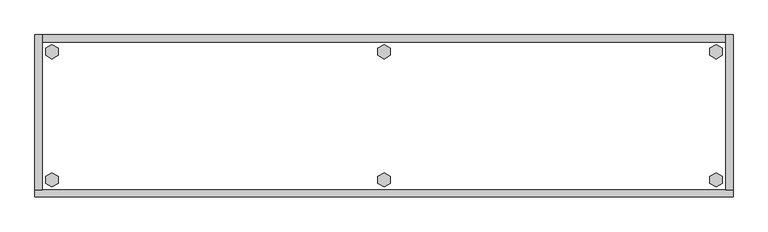
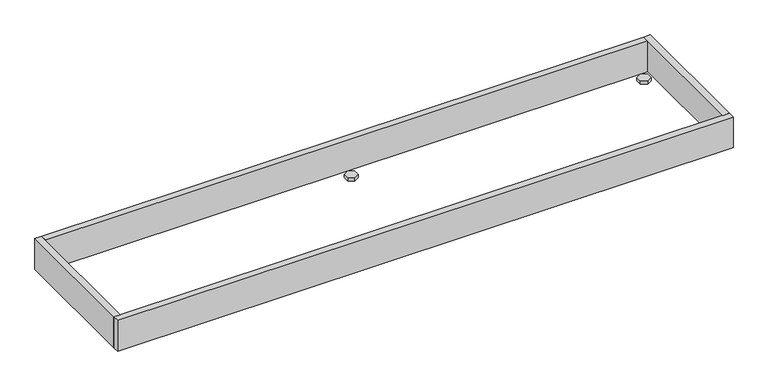
"""IFC4 building model written with IfcOpenShell, lengths in millimetres: furniture geometry."""

from ifc_helpers import new_model, si_unit, frame, origin, origin_with_axes, place, context, project, spatial, polyline, outline, extrude, source, transform, mapped, element, save


def furniture_e9d755e2(model_context):
    return source(origin(), model_context, "Body", "SweptSolid", [
        extrude(outline(polyline([(1768.1735422, -371.8179), (1784.1214, -362.6104), (1800.0692578, -371.8179), (1800.0692578, -390.2329), (1784.1214, -399.4404), (1768.1735422, -390.2329), (1768.1735422, -371.8179)])), origin_with_axes(), (0.0, 0.0, 1.0), 9.144),
        extrude(outline(polyline([(1768.1735422, -35.4711), (1784.1214, -26.2636), (1800.0692578, -35.4711), (1800.0692578, -53.8861), (1784.1214, -63.0936), (1768.1735422, -53.8861), (1768.1735422, -35.4711)])), origin_with_axes(), (0.0, 0.0, 1.0), 9.144),
        extrude(outline(polyline([(898.4521422, -371.8179), (914.4, -362.6104), (930.3478578, -371.8179), (930.3478578, -390.2329), (914.4, -399.4404), (898.4521422, -390.2329), (898.4521422, -371.8179)])), origin_with_axes(), (0.0, 0.0, 1.0), 9.144),
        extrude(outline(polyline([(898.4521422, -35.4711), (914.4, -26.2636), (930.3478578, -35.4711), (930.3478578, -53.8861), (914.4, -63.0936), (898.4521422, -53.8861), (898.4521422, -35.4711)])), origin_with_axes(), (0.0, 0.0, 1.0), 9.144),
        extrude(outline(polyline([(28.7307422, -371.8179), (44.6786, -362.6104), (60.6264578, -371.8179), (60.6264578, -390.2329), (44.6786, -399.4404), (28.7307422, -390.2329), (28.7307422, -371.8179)])), origin_with_axes(), (0.0, 0.0, 1.0), 9.144),
        extrude(outline(polyline([(28.7307422, -35.4711), (44.6786, -26.2636), (60.6264578, -35.4711), (60.6264578, -53.8861), (44.6786, -63.0936), (28.7307422, -53.8861), (28.7307422, -35.4711)])), origin_with_axes(), (0.0, 0.0, 1.0), 9.144),
        extrude(outline(polyline([(19.304, 0.0), (19.304, -406.4), (0.0, -406.4), (0.0, 0.0), (19.304, 0.0)])), frame((0.0, 0.0, 4.699), z_axis=(0.0, 0.0, 1.0), x_axis=(1.0, 0.0, 0.0)), (0.0, 0.0, 1.0), 96.901),
        extrude(outline(polyline([(1828.8, 0.0), (1828.8, -406.4), (1809.496, -406.4), (1809.496, 0.0), (1828.8, 0.0)])), frame((0.0, 0.0, 4.699), z_axis=(0.0, 0.0, 1.0), x_axis=(1.0, 0.0, 0.0)), (0.0, 0.0, 1.0), 96.901),
        extrude(outline(polyline([(1809.496, -19.304), (19.304, -19.304), (19.304, 0.0), (1809.496, 0.0), (1809.496, -19.304)])), frame((0.0, 0.0, 4.699), z_axis=(0.0, 0.0, 1.0), x_axis=(1.0, 0.0, 0.0)), (0.0, 0.0, 1.0), 96.901),
        extrude(outline(polyline([(1828.8, -406.4), (1828.8, -425.704), (0.0, -425.704), (0.0, -406.4), (1828.8, -406.4)])), frame((0.0, 0.0, 4.699), z_axis=(0.0, 0.0, 1.0), x_axis=(1.0, 0.0, 0.0)), (0.0, 0.0, 1.0), 96.901),
    ])


if __name__ == "__main__":
    model = new_model("IFC4")
    model_context = context("Model", 3, world=origin())
    ifc_project = project(units=[si_unit("LENGTHUNIT", "METRE", prefix="MILLI")], contexts=[model_context])
    site = spatial("IfcSite", under=ifc_project)
    building = spatial("IfcBuilding", under=site)
    placement = place(None, origin())
    furniture_shape = furniture_e9d755e2(model_context)
    element("IfcFurniture", 1, at=placement, inside=building, context=model_context, shape_type="MappedRepresentation", body=[
        mapped(furniture_shape, transform((0.0, 0.0, 0.0), x_axis=(1.0, 0.0, 0.0), y_axis=(0.0, 1.0, 0.0), z_axis=(0.0, 0.0, 1.0))),
    ])
    save(model, "model.ifc")
